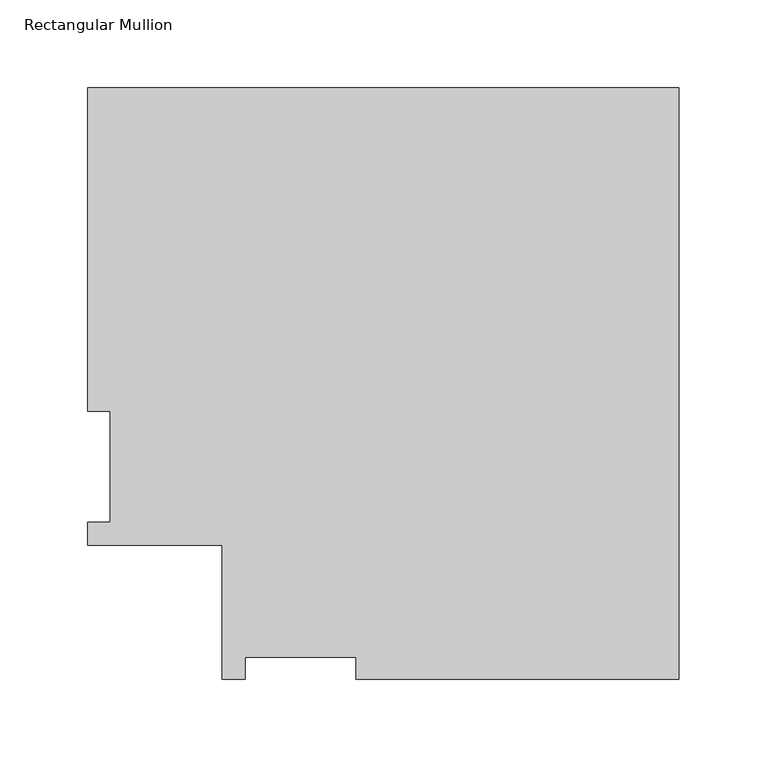
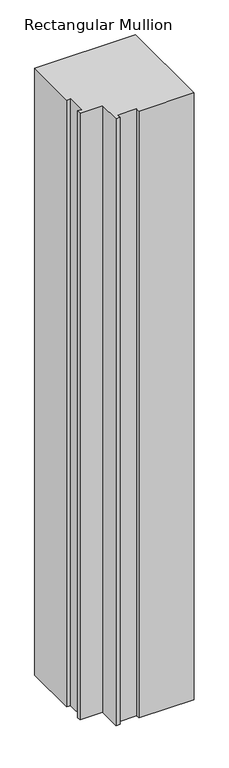
"""IFC4 building model written with IfcOpenShell, lengths in millimetres: member geometry, Rectangular Mullion."""

from ifc_helpers import new_model, si_unit, frame, origin, place, context, project, spatial, polyline, outline, extrude, source, transform, mapped, element, save


def rectangular_mullion_b0df3631(model_context):
    return source(origin(), model_context, "Body", "SweptSolid", [
        extrude(outline(polyline([(-183.6678886, -76.2333811), (-183.6678886, -63.5333811), (-246.8178885, -63.5333811), (-246.8178885, -76.2333811), (-260.0004885, -76.2333811), (-260.0004885, -0.0333811), (-336.2004885, -0.0333811), (-336.2004885, 13.1492189), (-323.5004885, 13.1492189), (-323.5004885, 76.2992187), (-336.2004885, 76.2992187), (-336.2004885, 259.9671074), (0.0, 259.9671074), (0.0, -76.2333811), (-183.6678886, -76.2333811)])), frame((0.0, 0.0, -2133.6), z_axis=(0.0, 0.0, 1.0), x_axis=(1.0, 0.0, 0.0)), (0.0, 0.0, 1.0), 2133.6),
    ])


if __name__ == "__main__":
    model = new_model("IFC4")
    model_context = context("Model", 3, world=origin())
    ifc_project = project(units=[si_unit("LENGTHUNIT", "METRE", prefix="MILLI")], contexts=[model_context])
    site = spatial("IfcSite", under=ifc_project)
    building = spatial("IfcBuilding", under=site)
    placement = place(None, origin())
    rectangular_mullion_shape = rectangular_mullion_b0df3631(model_context)
    element("IfcMember", 1, ObjectType="Rectangular Mullion", at=placement, inside=building, context=model_context, shape_type="MappedRepresentation", body=[
        mapped(rectangular_mullion_shape, transform((0.0, 0.0, 0.0), x_axis=(1.0, 0.0, 0.0), y_axis=(0.0, 1.0, 0.0), z_axis=(0.0, 0.0, 1.0))),
    ])
    save(model, "model.ifc")
